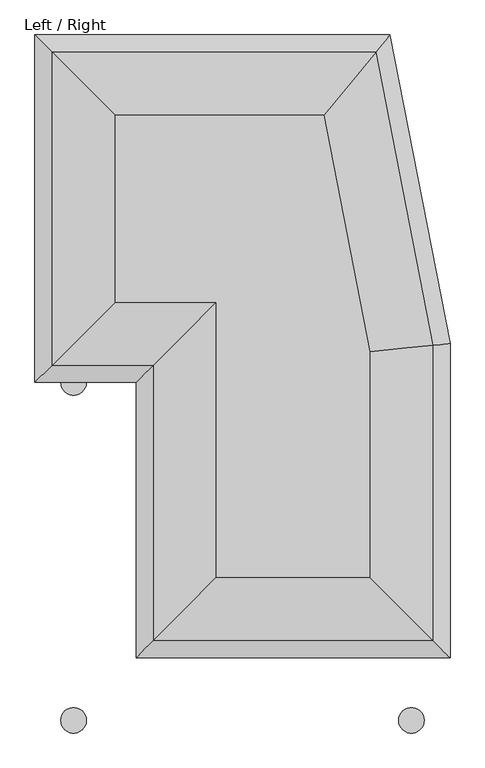
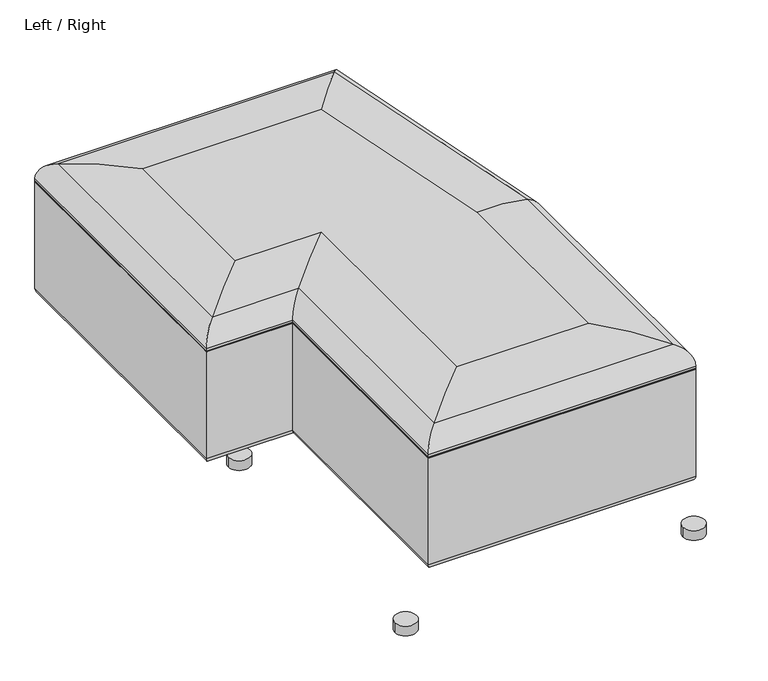
"""IFC4 building model written with IfcOpenShell, lengths in millimetres: furniture geometry, Left / Right."""

from ifc_helpers import new_model, si_unit, point, frame, frame_2d, origin, origin_with_axes, place, context, project, spatial, polyline, circle_curve, ellipse_curve, trimmed, segment, composite_curve, outline, extrude, source, transform, mapped, element, save
from ifc_brep_helpers import plane_surface, cylinder_surface, revolved_surface, advanced_brep


def left_right_65ad2a93(model_context):
    return source(origin(), model_context, "Body", "SolidModel", [
        advanced_brep(
        [(859.7473684, 859.9756743, 314.5703509), (859.7473684, 210.2526316, 314.5703509), (860.0, 210.0, 313.8338096), (860.0, 860.0, 313.8338096), (859.7473684, 859.9756743, 315.4296491), (859.7473684, 210.2526316, 315.4296491), (860.0, 860.0, 316.1661904), (860.0, 210.0, 316.1661904), (860.0, 860.0, 322.2258016), (860.0, 210.0, 322.2258016), (825.0952261, 856.6390525, 369.8927099), (825.0952261, 244.9047739, 369.8927099), (695.0, 844.112307, 390.0), (695.0, 375.0, 390.0), (860.0, 210.0, 40.0), (860.0, 860.0, 40.0), (210.2526316, 210.2526316, 314.5703509), (210.0, 210.0, 313.8338096), (210.2526316, 210.2526316, 315.4296491), (210.0, 210.0, 316.1661904), (210.0, 210.0, 322.2258016), (244.9047739, 244.9047739, 369.8927099), (375.0, 375.0, 390.0), (210.0, 210.0, 40.0), (210.2526316, 780.2526316, 314.5703509), (210.0, 780.0, 313.8338096), (210.2526316, 780.2526316, 315.4296491), (210.0, 780.0, 316.1661904), (210.0, 780.0, 322.2258016), (244.9047739, 814.9047739, 369.8927099), (375.0, 945.0, 390.0), (210.0, 780.0, 40.0), (845.0, 225.0, 25.0), (845.0, 858.5556643, 25.0), (225.0, 225.0, 25.0), (225.0, 795.0, 25.0), (0.2526316, 780.2526316, 314.5703509), (0.2526316, 1499.7473684, 314.5703509), (0.0, 1500.0, 313.8338096), (0.0, 780.0, 313.8338096), (0.2526316, 780.2526316, 315.4296491), (0.2526316, 1499.7473684, 315.4296491), (0.0, 780.0, 316.1661904), (0.0, 1500.0, 316.1661904), (0.0, 780.0, 322.2258016), (0.0, 1500.0, 322.2258016), (34.9047739, 814.9047739, 369.8927099), (34.9047739, 1465.0952261, 369.8927099), (165.0, 945.0, 390.0), (165.0, 1335.0, 390.0), (0.0, 780.0, 40.0), (0.0, 1500.0, 40.0), (15.0, 1485.0, 25.0), (15.0, 795.0, 25.0), (735.3883487, 1499.7473684, 314.5703509), (735.5966022, 1500.0, 313.8338096), (735.3883487, 1499.7473684, 315.4296491), (735.5966022, 1500.0, 316.1661904), (735.5966022, 1500.0, 322.2258016), (706.823327, 1465.0952261, 369.8927099), (599.5810985, 1335.0, 390.0), (735.5966022, 1500.0, 40.0), (723.2315564, 1485.0, 25.0)],
        [
            (0, 1),
            (1, 2, ellipse_curve(frame((858.8, 211.2, 313.8338096), z_axis=(0.7071067811865474, 0.7071067811865477, 0.0), x_axis=(-0.7071067811865476, 0.7071067811865474, 0.0)), 1.6970563, 1.2)),
            (2, 3),
            (3, 0, ellipse_curve(frame((858.8, 859.8844531, 313.8338096), z_axis=(0.09584575252022495, -0.9953961983671786, 0.0), x_axis=(0.9953961983671785, 0.09584575252022669, 0.0)), 1.2055501, 1.2)),
            (0, 4, ellipse_curve(frame((860.3, 860.0288867, 315.0), z_axis=(-0.09584575252022495, 0.9953961983671786, 0.0), x_axis=(-0.9953961983671785, -0.09584575252022669, 0.0)), 0.7032376, 0.7)),
            (4, 5),
            (5, 1, ellipse_curve(frame((860.3, 209.7, 315.0), z_axis=(-0.7071067811865474, -0.7071067811865477, 0.0), x_axis=(0.7071067811865476, -0.7071067811865474, 0.0)), 0.9899495, 0.7)),
            (4, 6, ellipse_curve(frame((858.8, 859.8844531, 316.1661904), z_axis=(0.09584575252022495, -0.9953961983671786, 0.0), x_axis=(0.9953961983671785, 0.09584575252022669, 0.0)), 1.2055501, 1.2)),
            (6, 7),
            (7, 5, ellipse_curve(frame((858.8, 211.2, 316.1661904), z_axis=(0.7071067811865474, 0.7071067811865477, 0.0), x_axis=(-0.7071067811865476, 0.7071067811865474, 0.0)), 1.6970563, 1.2)),
            (6, 8),
            (8, 9),
            (9, 7),
            (8, 10, ellipse_curve(frame((810.0, 855.1855476, 322.2258016), z_axis=(0.09584575252022495, -0.9953961983671786, 0.0), x_axis=(0.9953961983671785, 0.09584575252022669, 0.0)), 50.2312547, 50.0)),
            (10, 11),
            (11, 9, ellipse_curve(frame((810.0, 260.0, 322.2258016), z_axis=(0.7071067811865474, 0.7071067811865477, 0.0), x_axis=(-0.7071067811865476, 0.7071067811865474, 0.0)), 70.7106781, 50.0)),
            (10, 12, ellipse_curve(frame((695.0, 844.112307, -40.915128), z_axis=(0.09584575252022495, -0.9953961983671786, 0.0), x_axis=(0.9953961983671785, 0.09584575252022669, 0.0)), 432.9081513, 430.915128)),
            (12, 13),
            (13, 11, ellipse_curve(frame((695.0, 375.0, -40.915128), z_axis=(0.7071067811865474, 0.7071067811865477, 0.0), x_axis=(-0.7071067811865476, 0.7071067811865474, 0.0)), 609.4060183, 430.915128)),
            (2, 14),
            (14, 15),
            (15, 3),
            (1, 16),
            (16, 17, ellipse_curve(frame((211.2, 211.2, 313.8338096), z_axis=(0.7071067811865477, -0.7071067811865474, 0.0), x_axis=(0.7071067811865474, 0.7071067811865476, 0.0)), 1.6970563, 1.2)),
            (17, 2),
            (5, 18),
            (18, 16, ellipse_curve(frame((209.7, 209.7, 315.0), z_axis=(-0.7071067811865477, 0.7071067811865474, 0.0), x_axis=(-0.7071067811865474, -0.7071067811865476, 0.0)), 0.9899495, 0.7)),
            (7, 19),
            (19, 18, ellipse_curve(frame((211.2, 211.2, 316.1661904), z_axis=(0.7071067811865477, -0.7071067811865474, 0.0), x_axis=(0.7071067811865474, 0.7071067811865476, 0.0)), 1.6970563, 1.2)),
            (9, 20),
            (20, 19),
            (11, 21),
            (21, 20, ellipse_curve(frame((260.0, 260.0, 322.2258016), z_axis=(0.7071067811865477, -0.7071067811865474, 0.0), x_axis=(0.7071067811865474, 0.7071067811865476, 0.0)), 70.7106781, 50.0)),
            (13, 22),
            (22, 21, ellipse_curve(frame((375.0, 375.0, -40.915128), z_axis=(0.7071067811865477, -0.7071067811865474, 0.0), x_axis=(0.7071067811865474, 0.7071067811865476, 0.0)), 609.4060183, 430.915128)),
            (17, 23),
            (23, 14),
            (16, 24),
            (24, 25, ellipse_curve(frame((211.2, 781.2, 313.8338096), z_axis=(0.7071067811865488, -0.7071067811865462, 0.0), x_axis=(-0.7071067811865461, -0.7071067811865488, 0.0)), 1.6970563, 1.2)),
            (25, 17),
            (18, 26),
            (26, 24, ellipse_curve(frame((209.7, 779.7, 315.0), z_axis=(-0.7071067811865488, 0.7071067811865462, 0.0), x_axis=(0.7071067811865461, 0.7071067811865488, 0.0)), 0.9899495, 0.7)),
            (19, 27),
            (27, 26, ellipse_curve(frame((211.2, 781.2, 316.1661904), z_axis=(0.7071067811865488, -0.7071067811865462, 0.0), x_axis=(-0.7071067811865461, -0.7071067811865488, 0.0)), 1.6970563, 1.2)),
            (20, 28),
            (28, 27),
            (21, 29),
            (29, 28, ellipse_curve(frame((260.0, 830.0, 322.2258016), z_axis=(0.7071067811865488, -0.7071067811865462, 0.0), x_axis=(-0.7071067811865461, -0.7071067811865488, 0.0)), 70.7106781, 50.0)),
            (22, 30),
            (30, 29, ellipse_curve(frame((375.0, 945.0, -40.915128), z_axis=(0.7071067811865488, -0.7071067811865462, 0.0), x_axis=(-0.7071067811865461, -0.7071067811865488, 0.0)), 609.4060183, 430.915128)),
            (25, 31),
            (31, 23),
            (14, 32, ellipse_curve(frame((845.0, 225.0, 40.0), z_axis=(0.7071067811865474, 0.7071067811865477, 0.0), x_axis=(-0.7071067811865476, 0.7071067811865474, 0.0)), 21.2132034, 15.0)),
            (32, 33),
            (33, 15, ellipse_curve(frame((845.0, 858.5556643, 40.0), z_axis=(0.09584575252022495, -0.9953961983671786, 0.0), x_axis=(0.9953961983671785, 0.09584575252022669, 0.0)), 15.0693764, 15.0)),
            (23, 34, ellipse_curve(frame((225.0, 225.0, 40.0), z_axis=(0.7071067811865477, -0.7071067811865474, 0.0), x_axis=(0.7071067811865474, 0.7071067811865476, 0.0)), 21.2132034, 15.0)),
            (34, 32),
            (31, 35, ellipse_curve(frame((225.0, 795.0, 40.0), z_axis=(0.7071067811865488, -0.7071067811865462, 0.0), x_axis=(-0.7071067811865461, -0.7071067811865488, 0.0)), 21.2132034, 15.0)),
            (35, 34),
            (36, 37),
            (37, 38, ellipse_curve(frame((1.2, 1498.8, 313.8338096), z_axis=(-0.7071067811865462, -0.7071067811865489, 0.0), x_axis=(0.707106781186549, -0.707106781186546, 0.0)), 1.6970563, 1.2)),
            (38, 39),
            (39, 36, ellipse_curve(frame((1.2, 781.2, 313.8338096), z_axis=(-0.7071067811865488, 0.7071067811865462, 0.0), x_axis=(-0.7071067811865462, -0.7071067811865489, 0.0)), 1.6970563, 1.2)),
            (36, 40, ellipse_curve(frame((-0.3, 779.7, 315.0), z_axis=(0.7071067811865488, -0.7071067811865462, 0.0), x_axis=(0.7071067811865462, 0.7071067811865489, 0.0)), 0.9899495, 0.7)),
            (40, 41),
            (41, 37, ellipse_curve(frame((-0.3, 1500.3, 315.0), z_axis=(0.7071067811865462, 0.7071067811865489, 0.0), x_axis=(-0.707106781186549, 0.707106781186546, 0.0)), 0.9899495, 0.7)),
            (40, 42, ellipse_curve(frame((1.2, 781.2, 316.1661904), z_axis=(-0.7071067811865488, 0.7071067811865462, 0.0), x_axis=(-0.7071067811865462, -0.7071067811865489, 0.0)), 1.6970563, 1.2)),
            (42, 43),
            (43, 41, ellipse_curve(frame((1.2, 1498.8, 316.1661904), z_axis=(-0.7071067811865462, -0.7071067811865489, 0.0), x_axis=(0.707106781186549, -0.707106781186546, 0.0)), 1.6970563, 1.2)),
            (42, 44),
            (44, 45),
            (45, 43),
            (44, 46, ellipse_curve(frame((50.0, 830.0, 322.2258016), z_axis=(-0.7071067811865488, 0.7071067811865462, 0.0), x_axis=(-0.7071067811865462, -0.7071067811865489, 0.0)), 70.7106781, 50.0)),
            (46, 47),
            (47, 45, ellipse_curve(frame((50.0, 1450.0, 322.2258016), z_axis=(-0.7071067811865462, -0.7071067811865489, 0.0), x_axis=(0.707106781186549, -0.707106781186546, 0.0)), 70.7106781, 50.0)),
            (46, 48, ellipse_curve(frame((165.0, 945.0, -40.915128), z_axis=(-0.7071067811865488, 0.7071067811865462, 0.0), x_axis=(-0.7071067811865462, -0.7071067811865489, 0.0)), 609.4060183, 430.915128)),
            (48, 49),
            (49, 47, ellipse_curve(frame((165.0, 1335.0, -40.915128), z_axis=(-0.7071067811865462, -0.7071067811865489, 0.0), x_axis=(0.707106781186549, -0.707106781186546, 0.0)), 609.4060183, 430.915128)),
            (50, 51),
            (51, 52, ellipse_curve(frame((15.0, 1485.0, 40.0), z_axis=(-0.7071067811865462, -0.7071067811865489, 0.0), x_axis=(0.707106781186549, -0.707106781186546, 0.0)), 21.2132034, 15.0)),
            (52, 53),
            (53, 50, ellipse_curve(frame((15.0, 795.0, 40.0), z_axis=(-0.7071067811865488, 0.7071067811865462, 0.0), x_axis=(-0.7071067811865462, -0.7071067811865489, 0.0)), 21.2132034, 15.0)),
            (38, 51),
            (50, 39),
            (37, 54),
            (54, 55, ellipse_curve(frame((734.6073985, 1498.8, 313.8338096), z_axis=(-0.7716245833877216, 0.636078220277762, 0.0), x_axis=(-0.6360782202777621, -0.7716245833877216, 0.0)), 1.5551604, 1.2)),
            (55, 38),
            (41, 56),
            (56, 54, ellipse_curve(frame((735.8439031, 1500.3, 315.0), z_axis=(0.7716245833877216, -0.636078220277762, 0.0), x_axis=(0.6360782202777621, 0.7716245833877216, 0.0)), 0.9071769, 0.7)),
            (43, 57),
            (57, 56, ellipse_curve(frame((734.6073985, 1498.8, 316.1661904), z_axis=(-0.7716245833877216, 0.636078220277762, 0.0), x_axis=(-0.6360782202777621, -0.7716245833877216, 0.0)), 1.5551604, 1.2)),
            (45, 58),
            (58, 57),
            (47, 59),
            (59, 58, ellipse_curve(frame((694.3797829, 1450.0, 322.2258016), z_axis=(-0.7716245833877216, 0.636078220277762, 0.0), x_axis=(-0.6360782202777621, -0.7716245833877216, 0.0)), 64.7983502, 50.0)),
            (49, 60),
            (60, 59, ellipse_curve(frame((599.5810985, 1335.0, -40.915128), z_axis=(-0.7716245833877216, 0.636078220277762, 0.0), x_axis=(-0.6360782202777621, -0.7716245833877216, 0.0)), 558.4517877, 430.915128)),
            (51, 61),
            (61, 62, ellipse_curve(frame((723.2315564, 1485.0, 40.0), z_axis=(-0.7716245833877216, 0.636078220277762, 0.0), x_axis=(-0.6360782202777621, -0.7716245833877216, 0.0)), 19.4395051, 15.0)),
            (62, 52),
            (55, 61),
            (3, 55),
            (54, 0),
            (56, 4),
            (57, 6),
            (58, 8),
            (59, 10),
            (60, 12),
            (33, 62),
            (61, 15),
            (24, 36),
            (39, 25),
            (26, 40),
            (27, 42),
            (28, 44),
            (29, 46),
            (30, 48),
            (35, 53),
            (31, 50),
        ],
        [
            cylinder_surface(frame((858.8, 860.0, 313.8338096), z_axis=(0.0, 1.0, 0.0), x_axis=(-1.0, 0.0, 0.0)), 1.2),
            revolved_surface(polyline([(859.5999999999999, 208.99999999551778, 315.0), (859.5999999999999, 860.0962890369725, 315.0)]), (860.3, 860.0, 315.0), (0.0, -1.0, 0.0)),
            cylinder_surface(frame((858.8, 860.0, 316.1661904), z_axis=(0.0, 1.0, 0.0), x_axis=(-1.0, 0.0, 0.0)), 1.2),
            plane_surface(frame((860.0, 860.0, 316.1661904), z_axis=(1.0, 0.0, 0.0), x_axis=(0.0, -1.0, 0.0))),
            cylinder_surface(frame((810.0, 860.0, 322.2258016), z_axis=(0.0, 1.0, 0.0), x_axis=(-1.0, 0.0, 0.0)), 50.0),
            cylinder_surface(frame((695.0, 860.0, -40.915128), z_axis=(0.0, 1.0, 0.0), x_axis=(-1.0, 0.0, 0.0)), 430.915128),
            plane_surface(frame((860.0, 860.0, 40.0), z_axis=(1.0, 0.0, 0.0), x_axis=(0.0, -1.0, 0.0))),
            cylinder_surface(frame((860.0, 211.2, 313.8338096), z_axis=(1.0, 0.0, 0.0), x_axis=(0.0, 1.0, 0.0)), 1.2),
            revolved_surface(polyline([(208.99999999551778, 210.39999999999998, 315.0), (861.0000000044822, 210.39999999999998, 315.0)]), (860.0, 209.7, 315.0), (-1.0, 0.0, 0.0)),
            cylinder_surface(frame((860.0, 211.2, 316.1661904), z_axis=(1.0, 0.0, 0.0), x_axis=(0.0, 1.0, 0.0)), 1.2),
            plane_surface(frame((860.0, 210.0, 316.1661904), z_axis=(0.0, -1.0, 0.0), x_axis=(-1.0, 0.0, 0.0))),
            cylinder_surface(frame((860.0, 260.0, 322.2258016), z_axis=(1.0, 0.0, 0.0), x_axis=(0.0, 1.0, 0.0)), 50.0),
            cylinder_surface(frame((860.0, 375.0, -40.915128), z_axis=(1.0, 0.0, 0.0), x_axis=(0.0, 1.0, 0.0)), 430.915128),
            plane_surface(frame((860.0, 210.0, 40.0), z_axis=(0.0, -1.0, 0.0), x_axis=(-1.0, 0.0, 0.0))),
            cylinder_surface(frame((211.2, 210.0, 313.8338096), z_axis=(0.0, -1.0, 0.0), x_axis=(1.0, 0.0, 0.0)), 1.2),
            revolved_surface(polyline([(210.39999999999998, 780.4000000044823, 315.0), (210.39999999999998, 208.99999999551775, 315.0)]), (209.7, 210.0, 315.0), (0.0, 1.0, 0.0)),
            cylinder_surface(frame((211.2, 210.0, 316.1661904), z_axis=(0.0, -1.0, 0.0), x_axis=(1.0, 0.0, 0.0)), 1.2),
            plane_surface(frame((210.0, 210.0, 316.1661904), z_axis=(-1.0, 0.0, 0.0), x_axis=(0.0, 1.0, 0.0))),
            cylinder_surface(frame((260.0, 210.0, 322.2258016), z_axis=(0.0, -1.0, 0.0), x_axis=(1.0, 0.0, 0.0)), 50.0),
            cylinder_surface(frame((375.0, 210.0, -40.915128), z_axis=(0.0, -1.0, 0.0), x_axis=(1.0, 0.0, 0.0)), 430.915128),
            plane_surface(frame((210.0, 210.0, 40.0), z_axis=(-1.0, 0.0, 0.0), x_axis=(0.0, 1.0, 0.0))),
            cylinder_surface(frame((845.0, 860.0, 40.0), z_axis=(0.0, 1.0, 0.0), x_axis=(-1.0, 0.0, 0.0)), 15.0),
            cylinder_surface(frame((860.0, 225.0, 40.0), z_axis=(1.0, 0.0, 0.0), x_axis=(0.0, 1.0, 0.0)), 15.0),
            cylinder_surface(frame((225.0, 210.0, 40.0), z_axis=(0.0, -1.0, 0.0), x_axis=(1.0, 0.0, 0.0)), 15.0),
            cylinder_surface(frame((1.2, 780.0, 313.8338096), z_axis=(0.0, -1.0, 0.0), x_axis=(1.0, 0.0, 0.0)), 1.2),
            revolved_surface(polyline([(0.39999999999999997, 1501.0000000044822, 315.0), (0.39999999999999997, 778.9999999955178, 315.0)]), (-0.3, 780.0, 315.0), (0.0, 1.0, 0.0)),
            cylinder_surface(frame((1.2, 780.0, 316.1661904), z_axis=(0.0, -1.0, 0.0), x_axis=(1.0, 0.0, 0.0)), 1.2),
            plane_surface(frame((0.0, 780.0, 316.1661904), z_axis=(-1.0, 0.0, 0.0), x_axis=(0.0, 1.0, 0.0))),
            cylinder_surface(frame((50.0, 780.0, 322.2258016), z_axis=(0.0, -1.0, 0.0), x_axis=(1.0, 0.0, 0.0)), 50.0),
            cylinder_surface(frame((165.0, 780.0, -40.915128), z_axis=(0.0, -1.0, 0.0), x_axis=(1.0, 0.0, 0.0)), 430.915128),
            cylinder_surface(frame((15.0, 780.0, 40.0), z_axis=(0.0, -1.0, 0.0), x_axis=(1.0, 0.0, 0.0)), 15.0),
            plane_surface(frame((0.0, 780.0, 40.0), z_axis=(-1.0, 0.0, 0.0), x_axis=(0.0, 1.0, 0.0))),
            cylinder_surface(frame((0.0, 1498.8, 313.8338096), z_axis=(-1.0, 0.0, 0.0), x_axis=(0.0, -1.0, 0.0)), 1.2),
            revolved_surface(polyline([(736.4209385680291, 1499.6, 315.0), (-1.0000000044822337, 1499.6, 315.0)]), (0.0, 1500.3, 315.0), (1.0, 0.0, 0.0)),
            cylinder_surface(frame((0.0, 1498.8, 316.1661904), z_axis=(-1.0, 0.0, 0.0), x_axis=(0.0, -1.0, 0.0)), 1.2),
            plane_surface(frame((0.0, 1500.0, 316.1661904), z_axis=(0.0, 1.0, 0.0), x_axis=(1.0, 0.0, 0.0))),
            cylinder_surface(frame((0.0, 1450.0, 322.2258016), z_axis=(-1.0, 0.0, 0.0), x_axis=(0.0, -1.0, 0.0)), 50.0),
            cylinder_surface(frame((0.0, 1335.0, -40.915128), z_axis=(-1.0, 0.0, 0.0), x_axis=(0.0, -1.0, 0.0)), 430.915128),
            cylinder_surface(frame((0.0, 1485.0, 40.0), z_axis=(-1.0, 0.0, 0.0), x_axis=(0.0, -1.0, 0.0)), 15.0),
            plane_surface(frame((0.0, 1500.0, 40.0), z_axis=(0.0, 1.0, 0.0), x_axis=(1.0, 0.0, 0.0))),
            cylinder_surface(frame((734.4186495, 1499.7710292, 313.8338096), z_axis=(-0.19080899537654644, 0.9816271834476638, 0.0), x_axis=(-0.9816271834476638, -0.19080899537654644, 0.0)), 1.2),
            revolved_surface(polyline([(859.625721940116, 859.8291564363221, 315.0), (735.0466604760364, 1500.7328673971588, 315.0)]), (735.8910903, 1500.0572427, 315.0), (0.19080899537654644, -0.9816271834476638, 0.0)),
            cylinder_surface(frame((734.4186495, 1499.7710292, 316.1661904), z_axis=(-0.19080899537654644, 0.9816271834476638, 0.0), x_axis=(-0.9816271834476638, -0.19080899537654644, 0.0)), 1.2),
            plane_surface(frame((735.5966022, 1500.0, 316.1661904), z_axis=(0.9816271834476639, 0.19080899537654608, 0.0), x_axis=(0.19080899537654608, -0.9816271834476639, 0.0))),
            cylinder_surface(frame((686.515243, 1490.4595502, 322.2258016), z_axis=(-0.19080899537654644, 0.9816271834476638, 0.0), x_axis=(-0.9816271834476638, -0.19080899537654644, 0.0)), 50.0),
            cylinder_surface(frame((573.6281169, 1468.5165158, -40.915128), z_axis=(-0.19080899537654644, 0.9816271834476638, 0.0), x_axis=(-0.9816271834476638, -0.19080899537654644, 0.0)), 430.915128),
            cylinder_surface(frame((720.8721944, 1497.1378651, 40.0), z_axis=(-0.19080899537654644, 0.9816271834476638, 0.0), x_axis=(-0.9816271834476638, -0.19080899537654644, 0.0)), 15.0),
            plane_surface(frame((735.5966022, 1500.0, 40.0), z_axis=(0.9816271834476639, 0.19080899537654608, 0.0), x_axis=(0.19080899537654608, -0.9816271834476639, 0.0))),
            cylinder_surface(frame((210.0, 781.2, 313.8338096), z_axis=(1.0, 0.0, 0.0), x_axis=(0.0, 1.0, 0.0)), 1.2),
            revolved_surface(polyline([(-1.0000000044822457, 780.4000000000001, 315.0), (210.40000000448222, 780.4000000000001, 315.0)]), (210.0, 779.7, 315.0), (-1.0, 0.0, 0.0)),
            cylinder_surface(frame((210.0, 781.2, 316.1661904), z_axis=(1.0, 0.0, 0.0), x_axis=(0.0, 1.0, 0.0)), 1.2),
            plane_surface(frame((210.0, 780.0, 316.1661904), z_axis=(0.0, -1.0, 0.0), x_axis=(-1.0, 0.0, 0.0))),
            cylinder_surface(frame((210.0, 830.0, 322.2258016), z_axis=(1.0, 0.0, 0.0), x_axis=(0.0, 1.0, 0.0)), 50.0),
            cylinder_surface(frame((210.0, 945.0, -40.915128), z_axis=(1.0, 0.0, 0.0), x_axis=(0.0, 1.0, 0.0)), 430.915128),
            plane_surface(frame((375.0, 945.0, 390.0), z_axis=(0.0, 0.0, 1.0), x_axis=(-1.0, 0.0, 0.0))),
            plane_surface(frame((390.0, 960.0, 25.0), z_axis=(0.0, 0.0, -1.0), x_axis=(-1.0, 0.0, 0.0))),
            cylinder_surface(frame((210.0, 795.0, 40.0), z_axis=(1.0, 0.0, 0.0), x_axis=(0.0, 1.0, 0.0)), 15.0),
            plane_surface(frame((210.0, 780.0, 40.0), z_axis=(0.0, -1.0, 0.0), x_axis=(-1.0, 0.0, 0.0))),
        ],
        [
            (0, [[1, 2, 3, 4]]),
            (1, [[5, 6, 7, -1]]),
            (2, [[8, 9, 10, -6]]),
            (3, [[11, 12, 13, -9]]),
            (4, [[14, 15, 16, -12]]),
            (5, [[17, 18, 19, -15]]),
            (6, [[20, 21, 22, -3]]),
            (7, [[23, 24, 25, -2]]),
            (8, [[26, 27, -23, -7]]),
            (9, [[28, 29, -26, -10]]),
            (10, [[30, 31, -28, -13]]),
            (11, [[32, 33, -30, -16]]),
            (12, [[34, 35, -32, -19]]),
            (13, [[-25, 36, 37, -20]]),
            (14, [[38, 39, 40, -24]]),
            (15, [[41, 42, -38, -27]]),
            (16, [[43, 44, -41, -29]]),
            (17, [[45, 46, -43, -31]]),
            (18, [[47, 48, -45, -33]]),
            (19, [[49, 50, -47, -35]]),
            (20, [[-40, 51, 52, -36]]),
            (21, [[53, 54, 55, -21]]),
            (22, [[56, 57, -53, -37]]),
            (23, [[58, 59, -56, -52]]),
            (24, [[60, 61, 62, 63]]),
            (25, [[64, 65, 66, -60]]),
            (26, [[67, 68, 69, -65]]),
            (27, [[70, 71, 72, -68]]),
            (28, [[73, 74, 75, -71]]),
            (29, [[76, 77, 78, -74]]),
            (30, [[79, 80, 81, 82]]),
            (31, [[83, -79, 84, -62]]),
            (32, [[85, 86, 87, -61]]),
            (33, [[88, 89, -85, -66]]),
            (34, [[90, 91, -88, -69]]),
            (35, [[92, 93, -90, -72]]),
            (36, [[94, 95, -92, -75]]),
            (37, [[96, 97, -94, -78]]),
            (38, [[98, 99, 100, -80]]),
            (39, [[-87, 101, -98, -83]]),
            (40, [[102, -86, 103, -4]]),
            (41, [[-103, -89, 104, -5]]),
            (42, [[-104, -91, 105, -8]]),
            (43, [[-105, -93, 106, -11]]),
            (44, [[-106, -95, 107, -14]]),
            (45, [[-107, -97, 108, -17]]),
            (46, [[109, -99, 110, -55]]),
            (47, [[-110, -101, -102, -22]]),
            (48, [[111, -63, 112, -39]]),
            (49, [[113, -64, -111, -42]]),
            (50, [[114, -67, -113, -44]]),
            (51, [[115, -70, -114, -46]]),
            (52, [[116, -73, -115, -48]]),
            (53, [[117, -76, -116, -50]]),
            (54, [[-108, -96, -77, -117, -49, -34, -18]]),
            (55, [[-57, -59, 118, -81, -100, -109, -54]]),
            (56, [[119, -82, -118, -58]]),
            (57, [[-112, -84, -119, -51]]),
        ],
    ),
        extrude(outline(composite_curve([segment(trimmed(circle_curve(frame_2d((80.0, 80.0)), 26.5), [point((53.5, 80.0))], [point((106.5, 80.0))], False, "CARTESIAN"), True, "CONTINUOUS"), segment(trimmed(circle_curve(frame_2d((80.0, 80.0)), 26.5), [point((106.5, 80.0))], [point((53.5, 80.0))], False, "CARTESIAN"), True, "CONTINUOUS")], self_intersect=False)), origin_with_axes(), (0.0, 0.0, 1.0), 25.0),
        extrude(outline(composite_curve([segment(trimmed(circle_curve(frame_2d((780.0, 80.0)), 26.5), [point((753.5, 80.0))], [point((806.5, 80.0))], False, "CARTESIAN"), True, "CONTINUOUS"), segment(trimmed(circle_curve(frame_2d((780.0, 80.0)), 26.5), [point((806.5, 80.0))], [point((753.5, 80.0))], False, "CARTESIAN"), True, "CONTINUOUS")], self_intersect=False)), origin_with_axes(), (0.0, 0.0, 1.0), 25.0),
        extrude(outline(composite_curve([segment(trimmed(circle_curve(frame_2d((80.0, 780.0)), 26.5), [point((53.5, 780.0))], [point((106.5, 780.0))], False, "CARTESIAN"), True, "CONTINUOUS"), segment(trimmed(circle_curve(frame_2d((80.0, 780.0)), 26.5), [point((106.5, 780.0))], [point((53.5, 780.0))], False, "CARTESIAN"), True, "CONTINUOUS")], self_intersect=False)), origin_with_axes(), (0.0, 0.0, 1.0), 25.0),
        extrude(outline(composite_curve([segment(trimmed(circle_curve(frame_2d((780.0, 780.0)), 26.5), [point((753.5, 780.0))], [point((806.5, 780.0))], False, "CARTESIAN"), True, "CONTINUOUS"), segment(trimmed(circle_curve(frame_2d((780.0, 780.0)), 26.5), [point((806.5, 780.0))], [point((753.5, 780.0))], False, "CARTESIAN"), True, "CONTINUOUS")], self_intersect=False)), origin_with_axes(), (0.0, 0.0, 1.0), 25.0),
        extrude(outline(composite_curve([segment(trimmed(circle_curve(frame_2d((80.0, 1420.0)), 26.5), [point((53.5, 1420.0))], [point((106.5, 1420.0))], False, "CARTESIAN"), True, "CONTINUOUS"), segment(trimmed(circle_curve(frame_2d((80.0, 1420.0)), 26.5), [point((106.5, 1420.0))], [point((53.5, 1420.0))], False, "CARTESIAN"), True, "CONTINUOUS")], self_intersect=False)), origin_with_axes(), (0.0, 0.0, 1.0), 25.0),
        extrude(outline(composite_curve([segment(trimmed(circle_curve(frame_2d((655.5966022, 1420.0)), 26.5), [point((629.0966022, 1420.0))], [point((682.0966022, 1420.0))], False, "CARTESIAN"), True, "CONTINUOUS"), segment(trimmed(circle_curve(frame_2d((655.5966022, 1420.0)), 26.5), [point((682.0966022, 1420.0))], [point((629.0966022, 1420.0))], False, "CARTESIAN"), True, "CONTINUOUS")], self_intersect=False)), origin_with_axes(), (0.0, 0.0, 1.0), 25.0),
    ])


if __name__ == "__main__":
    model = new_model("IFC4")
    model_context = context("Model", 3, world=origin())
    ifc_project = project(units=[si_unit("LENGTHUNIT", "METRE", prefix="MILLI")], contexts=[model_context])
    site = spatial("IfcSite", under=ifc_project)
    building = spatial("IfcBuilding", under=site)
    placement = place(None, origin())
    left_right_shape = left_right_65ad2a93(model_context)
    element("IfcFurniture", 1, ObjectType="Left / Right", at=placement, inside=building, context=model_context, shape_type="MappedRepresentation", body=[
        mapped(left_right_shape, transform((0.0, 0.0, 0.0), x_axis=(1.0, 0.0, 0.0), y_axis=(0.0, 1.0, 0.0), z_axis=(0.0, 0.0, 1.0))),
    ])
    save(model, "model.ifc")
